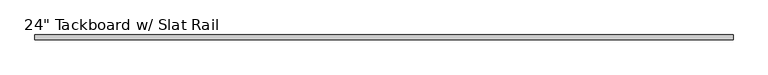
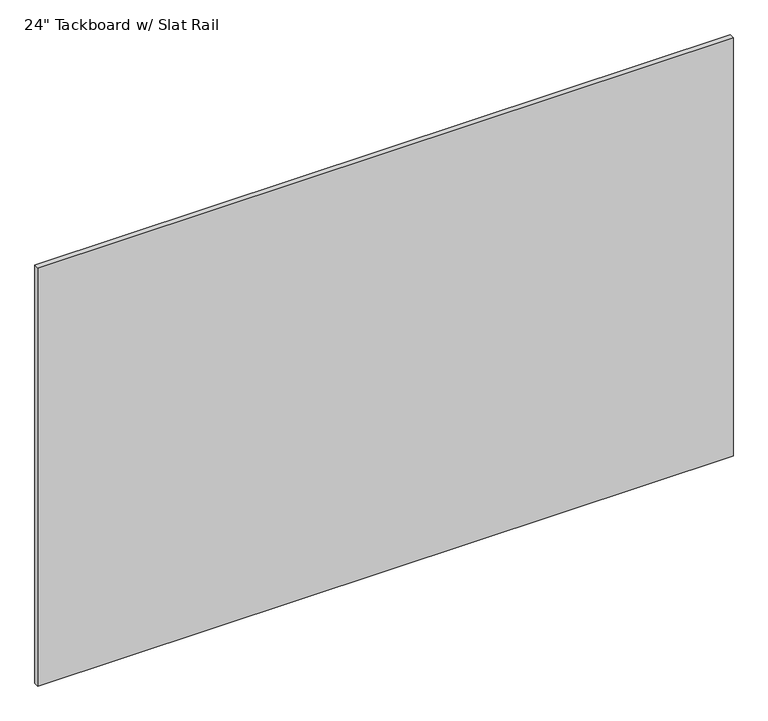
"""IFC4 building model written with IfcOpenShell, lengths in millimetres: furniture geometry."""

from ifc_helpers import new_model, si_unit, frame, origin, place, context, project, spatial, polyline, outline, extrude, source, transform, mapped, element, save


def furniture_7b046b98(model_context):
    return source(origin(), model_context, "Body", "SweptSolid", [
        extrude(outline(polyline([(1003.3, 0.0), (1003.3, -11.90625), (-673.1, -11.90625), (-673.1, 0.0), (1003.3, 0.0)])), frame((0.0, 0.0, 762.0), z_axis=(0.0, 0.0, 1.0), x_axis=(1.0, 0.0, 0.0)), (0.0, 0.0, 1.0), 1066.8),
    ])


if __name__ == "__main__":
    model = new_model("IFC4")
    model_context = context("Model", 3, world=origin())
    ifc_project = project(units=[si_unit("LENGTHUNIT", "METRE", prefix="MILLI")], contexts=[model_context])
    site = spatial("IfcSite", under=ifc_project)
    building = spatial("IfcBuilding", under=site)
    placement = place(None, origin())
    furniture_shape = furniture_7b046b98(model_context)
    element("IfcFurniture", 1, ObjectType="24\" Tackboard w/ Slat Rail", at=placement, inside=building, context=model_context, shape_type="MappedRepresentation", body=[
        mapped(furniture_shape, transform((0.0, 0.0, 0.0), x_axis=(1.0, 0.0, 0.0), y_axis=(0.0, 1.0, 0.0), z_axis=(0.0, 0.0, 1.0))),
    ])
    save(model, "model.ifc")
